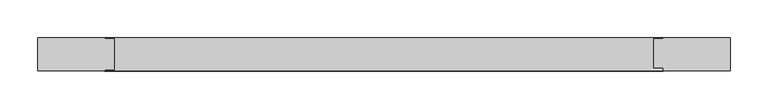
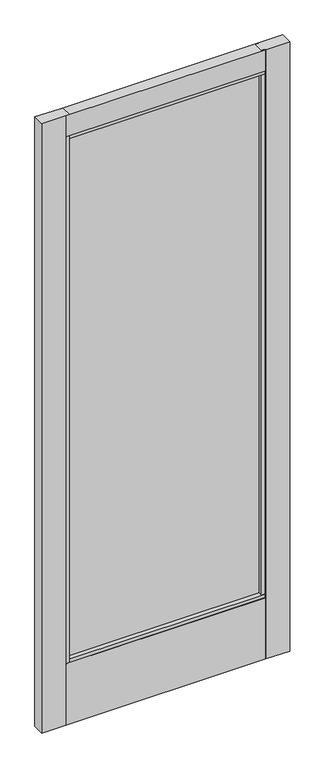
"""IFC4 building model written with IfcOpenShell, lengths in millimetres: plate geometry."""

import ifcopenshell
import ifcopenshell.guid

model = None  # the IFC model being written
_history = None  # IfcOwnerHistory: only IFC2X3 demands one
_inside = {}  # id of a spatial element -> (the spatial element, [elements in it])
_under = {}  # id of a project, library or spatial element -> (it, [spatial elements below it])
_declared = {}  # id of a project -> (the project, [libraries it declares])
_typed = {}  # id of a type object -> (the type object, [elements of that type])
_made_of = {}  # id of a material, layer set ... -> (it, [elements and type objects made of it])


def new_model(schema):
    """Start an empty IFC model of exactly this schema.

    Asked for "IFC4X3", IfcOpenShell would pick the latest addendum, in which some entities
    have other attributes; the version numbers below select the first issue.
    IFC2X3 requires an IfcOwnerHistory on every rooted entity: one is made here for all.
    """
    global model, _history
    if schema == "IFC4X3":
        model = ifcopenshell.file(schema_version=(4, 3, 0, 0))
    else:
        model = ifcopenshell.file(schema=schema)
    _inside.clear()
    _under.clear()
    _declared.clear()
    _typed.clear()
    _made_of.clear()
    _history = None
    if model.schema == "IFC2X3":
        org = make("IfcOrganization", Name="unknown")
        user = make(
            "IfcPersonAndOrganization",
            ThePerson=make("IfcPerson", FamilyName="unknown"),
            TheOrganization=org,
        )
        app = make(
            "IfcApplication",
            ApplicationDeveloper=org,
            Version="unknown",
            ApplicationFullName="unknown",
            ApplicationIdentifier="unknown",
        )
        _history = make(
            "IfcOwnerHistory",
            OwningUser=user,
            OwningApplication=app,
            ChangeAction="ADDED",
            CreationDate=0,
        )
    return model


def make(cls, **values):
    """One entity of the class cls with the attributes given. An attribute that is None is left unset."""
    return model.create_entity(
        cls, **{name: value for name, value in values.items() if value is not None}
    )


def rooted(cls, **values):
    """An entity with a GlobalId (a new one), such as an element, a storey or a relation."""
    return make(cls, GlobalId=ifcopenshell.guid.new(), OwnerHistory=_history, **values)


def si_unit(unit_type, name, prefix=None):
    """IfcSIUnit, for example si_unit("LENGTHUNIT", "METRE", prefix="MILLI")."""
    return make("IfcSIUnit", UnitType=unit_type, Prefix=prefix, Name=name)


def assignment(units):
    """IfcUnitAssignment: the units of a project."""
    return None if units is None else make("IfcUnitAssignment", Units=units)


def point(xyz):
    """IfcCartesianPoint."""
    return None if xyz is None else make("IfcCartesianPoint", Coordinates=xyz)


def direction(xyz):
    """IfcDirection."""
    return None if xyz is None else make("IfcDirection", DirectionRatios=xyz)


def frame(location, z_axis=None, x_axis=None):
    """IfcAxis2Placement3D, a coordinate frame: its origin and axes. An axis left out is left unset."""
    return make(
        "IfcAxis2Placement3D",
        Location=point(location),
        Axis=direction(z_axis),
        RefDirection=direction(x_axis),
    )


def origin():
    """The frame at (0, 0, 0) with its axes left unset."""
    return frame((0.0, 0.0, 0.0))


def place(relative_to, where):
    """IfcLocalPlacement: puts the frame where relative to a parent placement (None: the world)."""
    return make(
        "IfcLocalPlacement", PlacementRelTo=relative_to, RelativePlacement=where
    )


def context(
    kind, dimensions, precision=None, world=None, true_north=None, identifier=None
):
    """IfcGeometricRepresentationContext, for example the 3D "Model" context."""
    return make(
        "IfcGeometricRepresentationContext",
        ContextIdentifier=identifier,
        ContextType=kind,
        CoordinateSpaceDimension=dimensions,
        Precision=precision,
        WorldCoordinateSystem=world,
        TrueNorth=true_north,
    )


def project(units=None, contexts=None):
    """IfcProject with its units and contexts."""
    return rooted(
        "IfcProject",
        Name="project",
        RepresentationContexts=contexts,
        UnitsInContext=assignment(units),
    )


def spatial(cls, under=None, at=None, **own):
    """A site, building, storey or space (cls), placed at a placement, below another one or the project."""
    s = rooted(cls, ObjectPlacement=at, **own)
    if under is not None:
        _under.setdefault(under.id(), (under, []))[1].append(s)
    return s


def polyline(points):
    """IfcPolyline through the points."""
    return make("IfcPolyline", Points=[point(p) for p in points])


def outline(outer, holes=None, kind="AREA"):
    """IfcArbitraryClosedProfileDef: a profile drawn as a closed curve; with holes, ...WithVoids."""
    if holes is None:
        return make("IfcArbitraryClosedProfileDef", ProfileType=kind, OuterCurve=outer)
    return make(
        "IfcArbitraryProfileDefWithVoids",
        ProfileType=kind,
        OuterCurve=outer,
        InnerCurves=holes,
    )


def extrude(swept, where, along, depth):
    """IfcExtrudedAreaSolid: the profile swept, set in the frame where, extruded along a direction by depth."""
    return make(
        "IfcExtrudedAreaSolid",
        SweptArea=swept,
        Position=where,
        ExtrudedDirection=direction(along),
        Depth=depth,
    )


def shape(context_of_items, identifier, shape_type, items):
    """IfcShapeRepresentation: the items that make up one representation, for example the "Body"."""
    return make(
        "IfcShapeRepresentation",
        ContextOfItems=context_of_items,
        RepresentationIdentifier=identifier,
        RepresentationType=shape_type,
        Items=items,
    )


def source(mapping_origin, context_of_items, identifier, shape_type, items):
    """IfcRepresentationMap: a shape defined once, which mapped items show again and again."""
    return make(
        "IfcRepresentationMap",
        MappingOrigin=mapping_origin,
        MappedRepresentation=shape(context_of_items, identifier, shape_type, items),
    )


def transform(
    local_origin,
    x_axis=None,
    y_axis=None,
    z_axis=None,
    scale=None,
    scale2=None,
    scale3=None,
    uniform=True,
):
    """IfcCartesianTransformationOperator3D, or its non-uniform kind. x_axis, y_axis, z_axis: its Axis1, 2, 3."""
    if uniform:
        return make(
            "IfcCartesianTransformationOperator3D",
            Axis1=direction(x_axis),
            Axis2=direction(y_axis),
            LocalOrigin=point(local_origin),
            Scale=scale,
            Axis3=direction(z_axis),
        )
    return make(
        "IfcCartesianTransformationOperator3DnonUniform",
        Axis1=direction(x_axis),
        Axis2=direction(y_axis),
        LocalOrigin=point(local_origin),
        Scale=scale,
        Axis3=direction(z_axis),
        Scale2=scale2,
        Scale3=scale3,
    )


def mapped(mapping_source, mapping_target):
    """IfcMappedItem: shows the shape of a source again, moved by a transform."""
    return make(
        "IfcMappedItem", MappingSource=mapping_source, MappingTarget=mapping_target
    )


def made_of(thing, what):
    """Note that an element or type object is made of a material, layer set ...; save() writes the relation."""
    if what is not None:
        _made_of.setdefault(what.id(), (what, []))[1].append(thing)
    return thing


def element(
    cls,
    number,
    at=None,
    inside=None,
    cuts=None,
    type_object=None,
    material=None,
    context=None,
    identifier="Body",
    shape_type=None,
    held_by="IfcProductDefinitionShape",
    body=None,
    shapes=None,
    **own,
):
    """One element of the class cls, such as IfcWall. Its Tag is "e" and its number.

    at: its placement. inside: the storey or other place that contains it. cuts: it is an
    opening in that element (IfcRelVoidsElement). A single representation is given by context,
    identifier, shape_type and body (its items); several are given by shapes. held_by: the class
    of the entity that holds the representations. save() writes the other relations.
    """
    e = rooted(cls, Tag="e%d" % number, ObjectPlacement=at, **own)
    if body is not None:
        shapes = [shape(context, identifier, shape_type, body)]
    if shapes is not None:
        e.Representation = make(held_by, Representations=shapes)
    if inside is not None:
        _inside.setdefault(inside.id(), (inside, []))[1].append(e)
    if cuts is not None:
        rooted(
            "IfcRelVoidsElement", RelatingBuildingElement=cuts, RelatedOpeningElement=e
        )
    if type_object is not None:
        _typed.setdefault(type_object.id(), (type_object, []))[1].append(e)
    return made_of(e, material)


def aggregate(whole, parts):
    """IfcRelAggregates: a whole, such as a stair, and the parts it consists of."""
    return rooted("IfcRelAggregates", RelatingObject=whole, RelatedObjects=parts)


def save(model, path):
    """Write the relations noted so far, then the file.

    IfcRelAggregates (storeys below a building ...), IfcRelContainedInSpatialStructure (elements
    in a storey), IfcRelDefinesByType, IfcRelAssociatesMaterial and IfcRelDeclares: one each for
    every whole, place, type object, material and project.
    """
    for whole, parts in _under.values():
        aggregate(whole, parts)
    for where, things in _inside.values():
        rooted(
            "IfcRelContainedInSpatialStructure",
            RelatedElements=things,
            RelatingStructure=where,
        )
    for kind, things in _typed.values():
        rooted("IfcRelDefinesByType", RelatedObjects=things, RelatingType=kind)
    for what, things in _made_of.values():
        rooted("IfcRelAssociatesMaterial", RelatedObjects=things, RelatingMaterial=what)
    for by, libraries in _declared.values():
        rooted("IfcRelDeclares", RelatingContext=by, RelatedDefinitions=libraries)
    model.write(path)


def plate_edb037ce(model_context):
    return source(origin(), model_context, "Body", "SweptSolid", [
        extrude(outline(polyline([(-461.3827987, 19.05), (-371.6757581, 19.05), (-371.6757581, 17.4901195), (-358.9757581, 17.4901195), (-358.9757581, -23.5304584), (-371.6757581, -23.5304584), (-371.6757581, -25.4), (-461.3827987, -25.4), (-461.3827987, 19.05)])), frame((0.0, 0.0, 17.4625), z_axis=(0.0, 0.0, 1.0), x_axis=(1.0, 0.0, 0.0)), (0.0, 0.0, 1.0), 2398.2844027),
        extrude(outline(polyline([(-367.3672944, -6.1366855), (-367.3672944, 0.2133145), (363.7669209, 0.2133145), (363.7669209, -6.1366855), (-367.3672944, -6.1366855)])), frame((0.0, 0.0, 263.906), z_axis=(0.0, 0.0, 1.0), x_axis=(1.0, 0.0, 0.0)), (0.0, 0.0, 1.0), 2064.5284027),
        extrude(outline(polyline([(461.3827987, 19.05), (461.3827987, -25.4), (371.6858784, -25.4), (371.6858784, -21.2947968), (358.9858784, -21.2947968), (358.9858784, 17.4901195), (371.6858784, 17.4901195), (371.6858784, 19.05), (461.3827987, 19.05)])), frame((0.0, 0.0, 17.4625), z_axis=(0.0, 0.0, 1.0), x_axis=(1.0, 0.0, 0.0)), (0.0, 0.0, 1.0), 2398.2844027),
        extrude(outline(polyline([(-25.4, 2415.7469027), (19.05, 2415.7469027), (19.05, 2333.1996967), (17.4901195, 2333.1996967), (17.4901195, 2320.4969027), (-23.5304584, 2320.4969027), (-23.5304584, 2333.1996967), (-25.4, 2333.1996967), (-25.4, 2415.7469027)])), frame((-371.6757581, 0.0, 0.0), z_axis=(1.0, 0.0, 0.0), x_axis=(0.0, 1.0, 0.0)), (0.0, 0.0, 1.0), 743.3616365),
        extrude(outline(polyline([(-23.5304584, 271.4298836), (17.4901195, 271.4298836), (17.4901195, 258.7303916), (19.05, 258.7303916), (19.05, 17.4625), (-25.4, 17.4625), (-25.4, 258.7303916), (-23.5304584, 258.7303916), (-23.5304584, 271.4298836)])), frame((-371.6757581, 0.0, 0.0), z_axis=(1.0, 0.0, 0.0), x_axis=(0.0, 1.0, 0.0)), (0.0, 0.0, 1.0), 743.3616365),
    ])


if __name__ == "__main__":
    model = new_model("IFC4")
    model_context = context("Model", 3, world=origin())
    ifc_project = project(units=[si_unit("LENGTHUNIT", "METRE", prefix="MILLI")], contexts=[model_context])
    site = spatial("IfcSite", under=ifc_project)
    building = spatial("IfcBuilding", under=site)
    placement = place(None, origin())
    plate_shape = plate_edb037ce(model_context)
    element("IfcPlate", 1, at=placement, inside=building, context=model_context, shape_type="MappedRepresentation", body=[
        mapped(plate_shape, transform((0.0, 0.0, 0.0), x_axis=(1.0, 0.0, 0.0), y_axis=(0.0, 1.0, 0.0), z_axis=(0.0, 0.0, 1.0))),
    ])
    save(model, "model.ifc")
